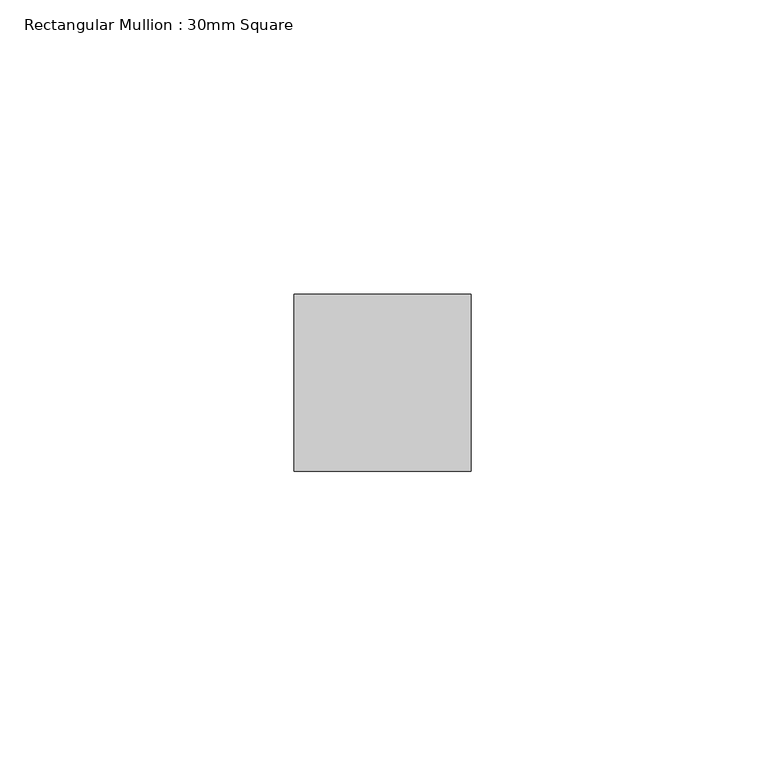
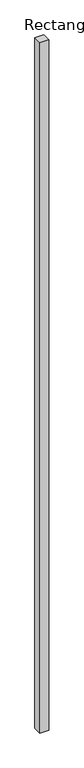
"""IFC4 building model written with IfcOpenShell, lengths in millimetres: member geometry, Rectangular Mullion : 30mm Square."""

from ifc_helpers import new_model, si_unit, frame, origin, place, context, project, spatial, polyline, outline, extrude, source, transform, mapped, element, save


def rectangular_mullion_30mm_square_71fd6b88(model_context):
    return source(origin(), model_context, "Body", "SweptSolid", [
        extrude(outline(polyline([(0.0, 15.0), (0.0, -15.0), (-30.0, -15.0), (-30.0, 15.0), (0.0, 15.0)])), frame((0.0, 0.0, -2500.0), z_axis=(0.0, 0.0, 1.0), x_axis=(1.0, 0.0, 0.0)), (0.0, 0.0, 1.0), 2500.0),
    ])


if __name__ == "__main__":
    model = new_model("IFC4")
    model_context = context("Model", 3, world=origin())
    ifc_project = project(units=[si_unit("LENGTHUNIT", "METRE", prefix="MILLI")], contexts=[model_context])
    site = spatial("IfcSite", under=ifc_project)
    building = spatial("IfcBuilding", under=site)
    placement = place(None, origin())
    rectangular_mullion_30mm_square_shape = rectangular_mullion_30mm_square_71fd6b88(model_context)
    element("IfcMember", 1, ObjectType="Rectangular Mullion : 30mm Square", at=placement, inside=building, context=model_context, shape_type="MappedRepresentation", body=[
        mapped(rectangular_mullion_30mm_square_shape, transform((0.0, 0.0, 0.0), x_axis=(1.0, 0.0, 0.0), y_axis=(0.0, 1.0, 0.0), z_axis=(0.0, 0.0, 1.0))),
    ])
    save(model, "model.ifc")
